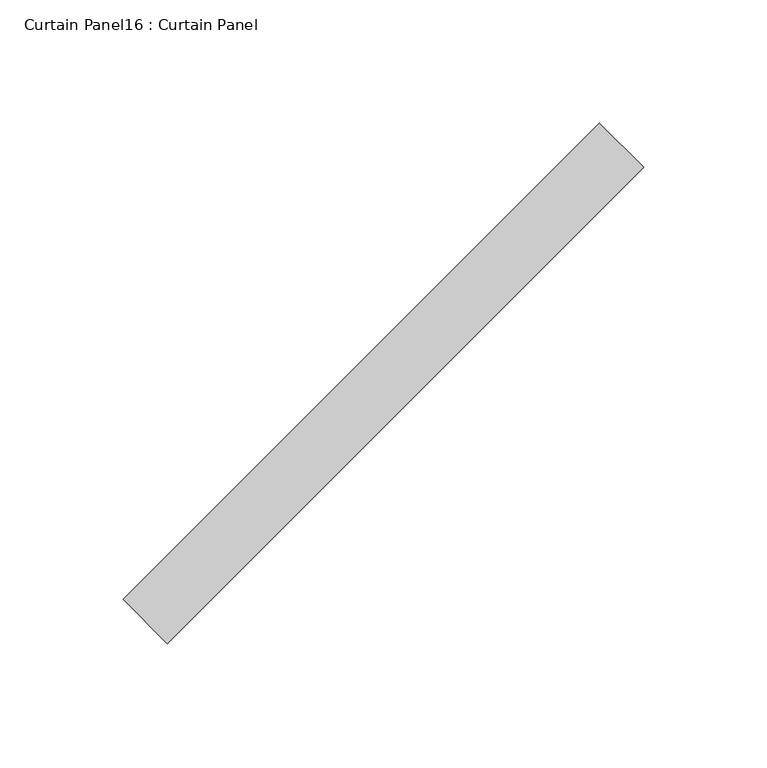
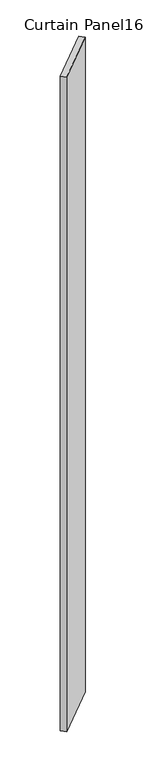
"""IFC4 building model written with IfcOpenShell, lengths in millimetres: plate geometry, Curtain Panel16 : Curtain Panel."""

import ifcopenshell
import ifcopenshell.guid

model = None  # the IFC model being written
_history = None  # IfcOwnerHistory: only IFC2X3 demands one
_inside = {}  # id of a spatial element -> (the spatial element, [elements in it])
_under = {}  # id of a project, library or spatial element -> (it, [spatial elements below it])
_declared = {}  # id of a project -> (the project, [libraries it declares])
_typed = {}  # id of a type object -> (the type object, [elements of that type])
_made_of = {}  # id of a material, layer set ... -> (it, [elements and type objects made of it])


def new_model(schema):
    """Start an empty IFC model of exactly this schema.

    Asked for "IFC4X3", IfcOpenShell would pick the latest addendum, in which some entities
    have other attributes; the version numbers below select the first issue.
    IFC2X3 requires an IfcOwnerHistory on every rooted entity: one is made here for all.
    """
    global model, _history
    if schema == "IFC4X3":
        model = ifcopenshell.file(schema_version=(4, 3, 0, 0))
    else:
        model = ifcopenshell.file(schema=schema)
    _inside.clear()
    _under.clear()
    _declared.clear()
    _typed.clear()
    _made_of.clear()
    _history = None
    if model.schema == "IFC2X3":
        org = make("IfcOrganization", Name="unknown")
        user = make(
            "IfcPersonAndOrganization",
            ThePerson=make("IfcPerson", FamilyName="unknown"),
            TheOrganization=org,
        )
        app = make(
            "IfcApplication",
            ApplicationDeveloper=org,
            Version="unknown",
            ApplicationFullName="unknown",
            ApplicationIdentifier="unknown",
        )
        _history = make(
            "IfcOwnerHistory",
            OwningUser=user,
            OwningApplication=app,
            ChangeAction="ADDED",
            CreationDate=0,
        )
    return model


def make(cls, **values):
    """One entity of the class cls with the attributes given. An attribute that is None is left unset."""
    return model.create_entity(
        cls, **{name: value for name, value in values.items() if value is not None}
    )


def rooted(cls, **values):
    """An entity with a GlobalId (a new one), such as an element, a storey or a relation."""
    return make(cls, GlobalId=ifcopenshell.guid.new(), OwnerHistory=_history, **values)


def si_unit(unit_type, name, prefix=None):
    """IfcSIUnit, for example si_unit("LENGTHUNIT", "METRE", prefix="MILLI")."""
    return make("IfcSIUnit", UnitType=unit_type, Prefix=prefix, Name=name)


def assignment(units):
    """IfcUnitAssignment: the units of a project."""
    return None if units is None else make("IfcUnitAssignment", Units=units)


def point(xyz):
    """IfcCartesianPoint."""
    return None if xyz is None else make("IfcCartesianPoint", Coordinates=xyz)


def direction(xyz):
    """IfcDirection."""
    return None if xyz is None else make("IfcDirection", DirectionRatios=xyz)


def frame(location, z_axis=None, x_axis=None):
    """IfcAxis2Placement3D, a coordinate frame: its origin and axes. An axis left out is left unset."""
    return make(
        "IfcAxis2Placement3D",
        Location=point(location),
        Axis=direction(z_axis),
        RefDirection=direction(x_axis),
    )


def origin():
    """The frame at (0, 0, 0) with its axes left unset."""
    return frame((0.0, 0.0, 0.0))


def place(relative_to, where):
    """IfcLocalPlacement: puts the frame where relative to a parent placement (None: the world)."""
    return make(
        "IfcLocalPlacement", PlacementRelTo=relative_to, RelativePlacement=where
    )


def context(
    kind, dimensions, precision=None, world=None, true_north=None, identifier=None
):
    """IfcGeometricRepresentationContext, for example the 3D "Model" context."""
    return make(
        "IfcGeometricRepresentationContext",
        ContextIdentifier=identifier,
        ContextType=kind,
        CoordinateSpaceDimension=dimensions,
        Precision=precision,
        WorldCoordinateSystem=world,
        TrueNorth=true_north,
    )


def project(units=None, contexts=None):
    """IfcProject with its units and contexts."""
    return rooted(
        "IfcProject",
        Name="project",
        RepresentationContexts=contexts,
        UnitsInContext=assignment(units),
    )


def spatial(cls, under=None, at=None, **own):
    """A site, building, storey or space (cls), placed at a placement, below another one or the project."""
    s = rooted(cls, ObjectPlacement=at, **own)
    if under is not None:
        _under.setdefault(under.id(), (under, []))[1].append(s)
    return s


def polyline(points):
    """IfcPolyline through the points."""
    return make("IfcPolyline", Points=[point(p) for p in points])


def outline(outer, holes=None, kind="AREA"):
    """IfcArbitraryClosedProfileDef: a profile drawn as a closed curve; with holes, ...WithVoids."""
    if holes is None:
        return make("IfcArbitraryClosedProfileDef", ProfileType=kind, OuterCurve=outer)
    return make(
        "IfcArbitraryProfileDefWithVoids",
        ProfileType=kind,
        OuterCurve=outer,
        InnerCurves=holes,
    )


def extrude(swept, where, along, depth):
    """IfcExtrudedAreaSolid: the profile swept, set in the frame where, extruded along a direction by depth."""
    return make(
        "IfcExtrudedAreaSolid",
        SweptArea=swept,
        Position=where,
        ExtrudedDirection=direction(along),
        Depth=depth,
    )


def shape(context_of_items, identifier, shape_type, items):
    """IfcShapeRepresentation: the items that make up one representation, for example the "Body"."""
    return make(
        "IfcShapeRepresentation",
        ContextOfItems=context_of_items,
        RepresentationIdentifier=identifier,
        RepresentationType=shape_type,
        Items=items,
    )


def source(mapping_origin, context_of_items, identifier, shape_type, items):
    """IfcRepresentationMap: a shape defined once, which mapped items show again and again."""
    return make(
        "IfcRepresentationMap",
        MappingOrigin=mapping_origin,
        MappedRepresentation=shape(context_of_items, identifier, shape_type, items),
    )


def transform(
    local_origin,
    x_axis=None,
    y_axis=None,
    z_axis=None,
    scale=None,
    scale2=None,
    scale3=None,
    uniform=True,
):
    """IfcCartesianTransformationOperator3D, or its non-uniform kind. x_axis, y_axis, z_axis: its Axis1, 2, 3."""
    if uniform:
        return make(
            "IfcCartesianTransformationOperator3D",
            Axis1=direction(x_axis),
            Axis2=direction(y_axis),
            LocalOrigin=point(local_origin),
            Scale=scale,
            Axis3=direction(z_axis),
        )
    return make(
        "IfcCartesianTransformationOperator3DnonUniform",
        Axis1=direction(x_axis),
        Axis2=direction(y_axis),
        LocalOrigin=point(local_origin),
        Scale=scale,
        Axis3=direction(z_axis),
        Scale2=scale2,
        Scale3=scale3,
    )


def mapped(mapping_source, mapping_target):
    """IfcMappedItem: shows the shape of a source again, moved by a transform."""
    return make(
        "IfcMappedItem", MappingSource=mapping_source, MappingTarget=mapping_target
    )


def made_of(thing, what):
    """Note that an element or type object is made of a material, layer set ...; save() writes the relation."""
    if what is not None:
        _made_of.setdefault(what.id(), (what, []))[1].append(thing)
    return thing


def element(
    cls,
    number,
    at=None,
    inside=None,
    cuts=None,
    type_object=None,
    material=None,
    context=None,
    identifier="Body",
    shape_type=None,
    held_by="IfcProductDefinitionShape",
    body=None,
    shapes=None,
    **own,
):
    """One element of the class cls, such as IfcWall. Its Tag is "e" and its number.

    at: its placement. inside: the storey or other place that contains it. cuts: it is an
    opening in that element (IfcRelVoidsElement). A single representation is given by context,
    identifier, shape_type and body (its items); several are given by shapes. held_by: the class
    of the entity that holds the representations. save() writes the other relations.
    """
    e = rooted(cls, Tag="e%d" % number, ObjectPlacement=at, **own)
    if body is not None:
        shapes = [shape(context, identifier, shape_type, body)]
    if shapes is not None:
        e.Representation = make(held_by, Representations=shapes)
    if inside is not None:
        _inside.setdefault(inside.id(), (inside, []))[1].append(e)
    if cuts is not None:
        rooted(
            "IfcRelVoidsElement", RelatingBuildingElement=cuts, RelatedOpeningElement=e
        )
    if type_object is not None:
        _typed.setdefault(type_object.id(), (type_object, []))[1].append(e)
    return made_of(e, material)


def aggregate(whole, parts):
    """IfcRelAggregates: a whole, such as a stair, and the parts it consists of."""
    return rooted("IfcRelAggregates", RelatingObject=whole, RelatedObjects=parts)


def save(model, path):
    """Write the relations noted so far, then the file.

    IfcRelAggregates (storeys below a building ...), IfcRelContainedInSpatialStructure (elements
    in a storey), IfcRelDefinesByType, IfcRelAssociatesMaterial and IfcRelDeclares: one each for
    every whole, place, type object, material and project.
    """
    for whole, parts in _under.values():
        aggregate(whole, parts)
    for where, things in _inside.values():
        rooted(
            "IfcRelContainedInSpatialStructure",
            RelatedElements=things,
            RelatingStructure=where,
        )
    for kind, things in _typed.values():
        rooted("IfcRelDefinesByType", RelatedObjects=things, RelatingType=kind)
    for what, things in _made_of.values():
        rooted("IfcRelAssociatesMaterial", RelatedObjects=things, RelatingMaterial=what)
    for by, libraries in _declared.values():
        rooted("IfcRelDeclares", RelatingContext=by, RelatedDefinitions=libraries)
    model.write(path)


def curtain_panel16_curtain_panel_94e9eccf(model_context):
    return source(origin(), model_context, "Body", "SweptSolid", [
        extrude(outline(polyline([(57306.0858846, 2877.1739783), (57112.5753704, 2683.663464), (57094.6148581, 2701.6239763), (57288.1253724, 2895.1344905), (57306.0858846, 2877.1739783)])), frame((0.0, 0.0, -994.8126169), z_axis=(0.0, 0.0, 1.0), x_axis=(1.0, 0.0, 0.0)), (0.0, 0.0, 1.0), 3048.0),
    ])


if __name__ == "__main__":
    model = new_model("IFC4")
    model_context = context("Model", 3, world=origin())
    ifc_project = project(units=[si_unit("LENGTHUNIT", "METRE", prefix="MILLI")], contexts=[model_context])
    site = spatial("IfcSite", under=ifc_project)
    building = spatial("IfcBuilding", under=site)
    placement = place(None, origin())
    curtain_panel16_curtain_panel_shape = curtain_panel16_curtain_panel_94e9eccf(model_context)
    element("IfcPlate", 1, ObjectType="Curtain Panel16 : Curtain Panel", at=placement, inside=building, context=model_context, shape_type="MappedRepresentation", body=[
        mapped(curtain_panel16_curtain_panel_shape, transform((0.0, 0.0, 0.0), x_axis=(1.0, 0.0, 0.0), y_axis=(0.0, 1.0, 0.0), z_axis=(0.0, 0.0, 1.0))),
    ])
    save(model, "model.ifc")
